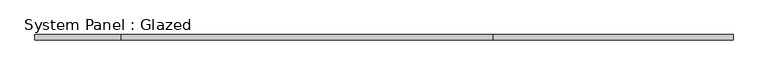
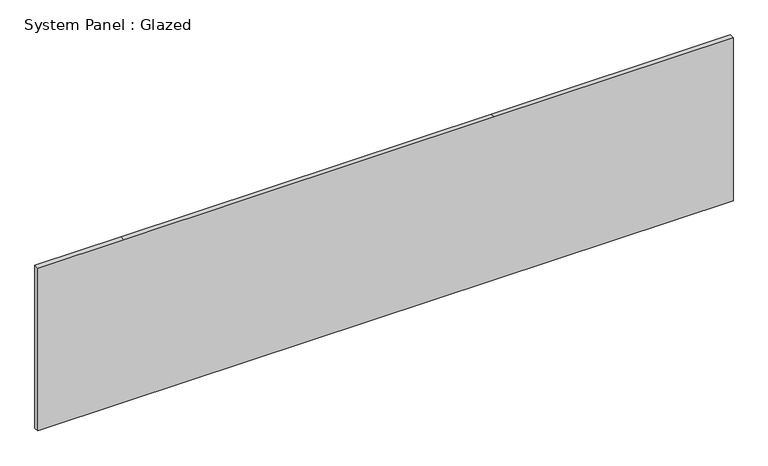
"""IFC4 building model written with IfcOpenShell, lengths in millimetres: plate geometry, System Panel : Glazed."""

from ifc_helpers import new_model, si_unit, frame, origin, place, context, project, spatial, polyline, outline, extrude, source, transform, mapped, element, save


def system_panel_glazed_d1f180dd(model_context):
    return source(origin(), model_context, "Body", "SweptSolid", [
        extrude(outline(polyline([(0.0, -1717.4825378), (0.0, -1292.0325378), (0.0, 536.7674622), (0.0, 1717.4825378), (850.9, 1717.4825378), (850.9, 536.7674622), (850.9, -1292.0325378), (850.9, -1717.4825378), (0.0, -1717.4825378)])), frame((0.0, 19.05, 0.0), z_axis=(0.0, 1.0, 0.0), x_axis=(0.0, 0.0, 1.0)), (0.0, 0.0, 1.0), 25.4),
    ])


if __name__ == "__main__":
    model = new_model("IFC4")
    model_context = context("Model", 3, world=origin())
    ifc_project = project(units=[si_unit("LENGTHUNIT", "METRE", prefix="MILLI")], contexts=[model_context])
    site = spatial("IfcSite", under=ifc_project)
    building = spatial("IfcBuilding", under=site)
    placement = place(None, origin())
    system_panel_glazed_shape = system_panel_glazed_d1f180dd(model_context)
    element("IfcPlate", 1, ObjectType="System Panel : Glazed", at=placement, inside=building, context=model_context, shape_type="MappedRepresentation", body=[
        mapped(system_panel_glazed_shape, transform((0.0, 0.0, 0.0), x_axis=(1.0, 0.0, 0.0), y_axis=(0.0, 1.0, 0.0), z_axis=(0.0, 0.0, 1.0))),
    ])
    save(model, "model.ifc")
